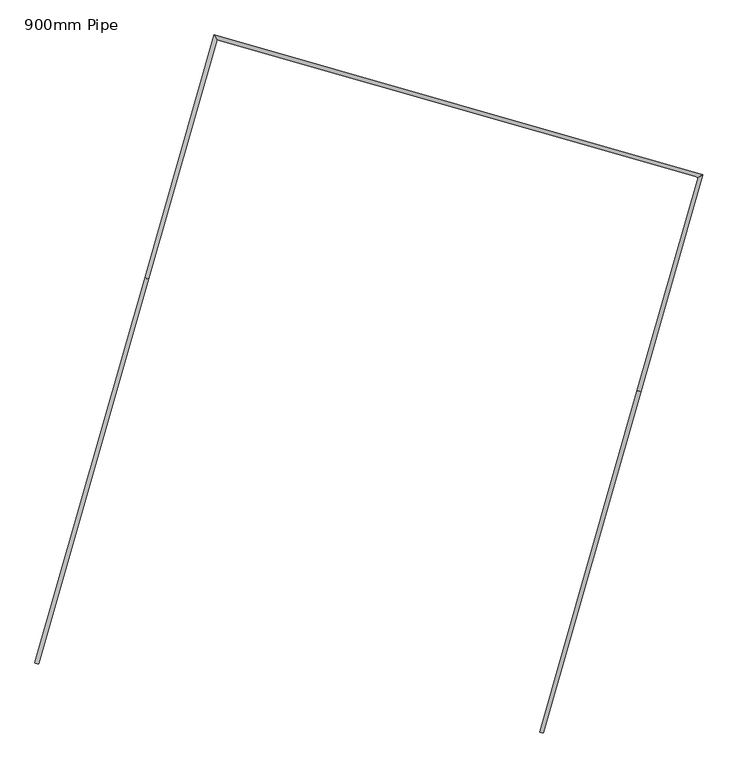
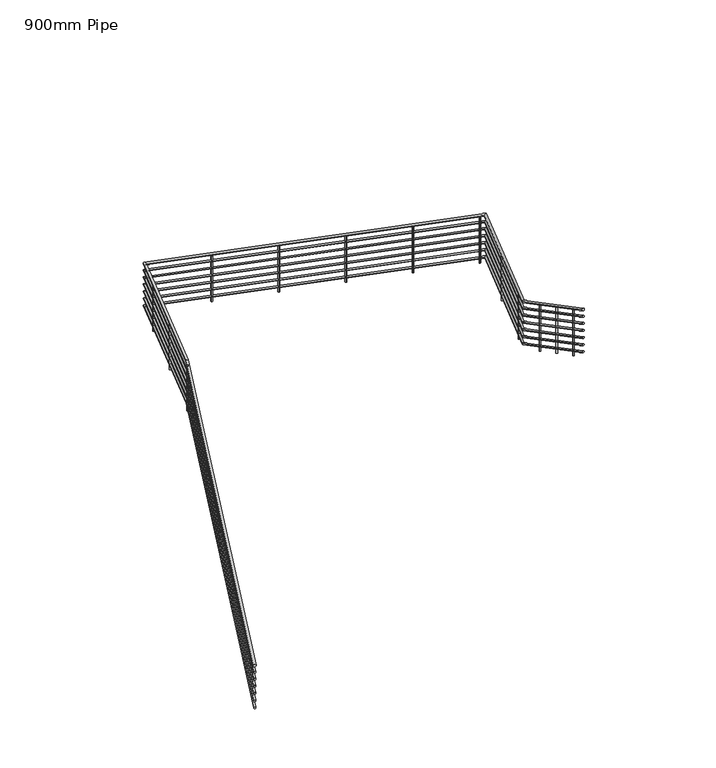
"""IFC4 building model written with IfcOpenShell, lengths in millimetres: railing geometry, 900mm Pipe."""

from ifc_helpers import new_model, si_unit, point, frame, frame_2d, origin, place, context, project, spatial, circle_curve, ellipse_curve, trimmed, segment, composite_curve, outline, extrude, source, transform, mapped, element, save
from ifc_brep_helpers import plane_surface, cylinder_surface, advanced_brep


def railing_900mm_pipe_57eae694(model_context):
    return source(origin(), model_context, "Body", "SolidModel", [
        advanced_brep(
        [(14645.4112937, 2328.8444623, -4052.5096404), (14606.951219, 2339.836398, -4052.5096404), (15754.4532584, 6209.3108448, -1406.2068966), (15715.9931837, 6220.3027805, -1406.2068966), (16441.1820485, 8612.1306375, -1406.2068966), (16413.7139094, 8661.582648, -1406.2068966), (21288.4220782, 7226.7836003, -1406.2068966), (21337.8740886, 7254.2517394, -1406.2068966), (20673.6954788, 5075.894834, -1406.2068966), (20712.1555536, 5064.9028983, -1406.2068966), (19692.8983015, 1644.1487, 876.2600906), (19731.3583763, 1633.1567643, 876.2600906)],
        [
            (0, 1, ellipse_curve(frame((14626.1812563, 2334.3404301, -4052.5096404), z_axis=(-0.27479839189019206, -0.9615018688565117, 0.0), x_axis=(0.0, 0.0, -1.0)), 23.9160497, 20.0)),
            (1, 0, ellipse_curve(frame((14626.1812563, 2334.3404301, -4052.5096404), z_axis=(-0.27479839189019206, -0.9615018688565117, 0.0), x_axis=(0.0, 0.0, -1.0)), 23.9160497, 20.0)),
            (0, 2),
            (2, 3, ellipse_curve(frame((15735.223221, 6214.8068126, -1406.2068966), z_axis=(-0.2633092399669702, -0.9213020664858751, -0.2861306457492325), x_axis=(0.07862824132239211, 0.27511515062500735, -0.9581906144202871)), 20.8726737, 20.0)),
            (3, 1),
            (3, 2, ellipse_curve(frame((15735.223221, 6214.8068126, -1406.2068966), z_axis=(-0.2633092399669702, -0.9213020664858751, -0.2861306457492325), x_axis=(0.07862824132239211, 0.27511515062500735, -0.9581906144202871)), 20.8726737, 20.0)),
            (2, 4),
            (4, 5, ellipse_curve(frame((16427.4479789, 8636.8566427, -1406.2068966), z_axis=(-0.8741962979566913, -0.4855726852272642, 0.0), x_axis=(0.4855726852272642, -0.8741962979566913, 0.0)), 28.2842712, 20.0)),
            (5, 3),
            (5, 4, ellipse_curve(frame((16427.4479789, 8636.8566427, -1406.2068966), z_axis=(-0.8741962979566913, -0.4855726852272642, 0.0), x_axis=(0.4855726852272642, -0.8741962979566913, 0.0)), 28.2842712, 20.0)),
            (4, 6),
            (6, 7, ellipse_curve(frame((21313.1480834, 7240.5176699, -1406.2068966), z_axis=(-0.48557268522726454, 0.8741962979566911, 1.0586108497503792e-12), x_axis=(-0.8741962979566911, -0.48557268522726443, 0.0)), 28.2842712, 20.0)),
            (7, 5),
            (7, 6, ellipse_curve(frame((21313.1480834, 7240.5176699, -1406.2068966), z_axis=(-0.48557268522726454, 0.8741962979566911, 1.0586108497503792e-12), x_axis=(-0.8741962979566911, -0.48557268522726443, 0.0)), 28.2842712, 20.0)),
            (6, 8),
            (8, 9, ellipse_curve(frame((20692.9255162, 5070.3988661, -1406.2068966), z_axis=(0.2637537238904638, 0.9228572870975278, -0.2806570875372723), x_axis=(0.07712411632782773, 0.2698523141749132, 0.9598081054122723)), 20.8374985, 20.0)),
            (9, 7),
            (9, 8, ellipse_curve(frame((20692.9255162, 5070.3988661, -1406.2068966), z_axis=(0.2637537238904638, 0.9228572870975278, -0.2806570875372723), x_axis=(0.07712411632782773, 0.2698523141749132, 0.9598081054122723)), 20.8374985, 20.0)),
            (10, 11, ellipse_curve(frame((19712.1283389, 1638.6527322, 876.2600906), z_axis=(-0.2747983918901913, -0.9615018688565119, 0.0), x_axis=(0.0, 0.0, -1.0)), 23.7399094, 20.0)),
            (11, 10, ellipse_curve(frame((19712.1283389, 1638.6527322, 876.2600906), z_axis=(-0.2747983918901913, -0.9615018688565119, 0.0), x_axis=(0.0, 0.0, -1.0)), 23.7399094, 20.0)),
            (8, 10),
            (11, 9),
        ],
        [
            plane_surface(frame((14626.1812563, 2334.3404301, -4028.5935908), z_axis=(-0.27479839189019206, -0.9615018688565117, 0.0), x_axis=(0.9615018688565117, -0.27479839189019206, 0.0))),
            cylinder_surface(frame((14629.19489, 2344.8849403, -4045.3187609), z_axis=(-0.22980249296278749, -0.8040641174490503, -0.5483353985098612), x_axis=(-0.9615018688565117, 0.27479839189019206, 0.0)), 20.0),
            cylinder_surface(frame((15733.5820394, 6209.0644239, -1406.2068966), z_axis=(-0.2747983918901925, -0.9615018688565116, 0.0), x_axis=(-0.9615018688565116, 0.2747983918901925, 0.0)), 20.0),
            cylinder_surface(frame((16427.4479789, 8636.8566427, -1406.2068966), z_axis=(-0.9615018688565115, 0.27479839189019273, 0.0), x_axis=(0.27479839189019273, 0.9615018688565115, 0.0)), 20.0),
            cylinder_surface(frame((21313.1480834, 7240.5176699, -1406.2068966), z_axis=(0.2747983918901916, 0.9615018688565118, 1.25028144646653e-12), x_axis=(0.9615018688565118, -0.2747983918901916, -1.7439941282936893e-12)), 20.0),
            plane_surface(frame((19712.1283389, 1638.6527322, 900.0), z_axis=(-0.2747983918901913, -0.9615018688565119, 0.0), x_axis=(0.9615018688565119, -0.2747983918901913, 0.0))),
            cylinder_surface(frame((20691.5716158, 5065.6616558, -1403.0561605), z_axis=(0.2315075321550987, 0.8100299397328162, -0.5387538949204046), x_axis=(0.9615018688562537, -0.27479839189109473, -1.4693896492415045e-12)), 20.0),
        ],
        [
            (0, [[1, 2]]),
            (1, [[-1, 3, 4, 5]]),
            (1, [[-2, -5, 6, -3]]),
            (2, [[-4, 7, 8, 9]]),
            (2, [[-6, -9, 10, -7]]),
            (3, [[-8, 11, 12, 13]]),
            (3, [[-10, -13, 14, -11]]),
            (4, [[-12, 15, 16, 17]]),
            (4, [[-14, -17, 18, -15]]),
            (5, [[19, 20]]),
            (6, [[-16, 21, -20, 22]]),
            (6, [[-18, -22, -19, -21]]),
        ],
    ),
        advanced_brep(
        [(14640.6037844, 2330.2184543, -4171.530628), (14611.7587283, 2338.462406, -4171.530628), (15749.2354537, 6209.2492396, -1526.2068966), (15720.3903976, 6217.4931913, -1526.2068966), (16437.7485311, 8618.3121388, -1526.2068966), (16417.1474268, 8655.4011467, -1526.2068966), (21294.6035795, 7230.2171177, -1526.2068966), (21331.6925873, 7250.818222, -1526.2068966), (20678.9047566, 5075.9266038, -1526.2068966), (20707.7498127, 5067.6826521, -1526.2068966), (19697.7058108, 1642.7747081, 757.1950679), (19726.5508669, 1634.5307563, 757.1950679)],
        [
            (0, 1, ellipse_curve(frame((14626.1812563, 2334.3404301, -4171.530628), z_axis=(-0.27479839189019206, -0.9615018688565117, 0.0), x_axis=(0.0, 0.0, -1.0)), 17.9370373, 15.0)),
            (1, 0, ellipse_curve(frame((14626.1812563, 2334.3404301, -4171.530628), z_axis=(-0.27479839189019206, -0.9615018688565117, 0.0), x_axis=(0.0, 0.0, -1.0)), 17.9370373, 15.0)),
            (0, 2),
            (2, 3, ellipse_curve(frame((15734.8129256, 6213.3712154, -1526.2068966), z_axis=(-0.2633092399669702, -0.9213020664858751, -0.2861306457492325), x_axis=(0.07862824132239211, 0.27511515062500735, -0.9581906144202871)), 15.6545052, 15.0)),
            (3, 1),
            (3, 2, ellipse_curve(frame((15734.8129256, 6213.3712154, -1526.2068966), z_axis=(-0.2633092399669702, -0.9213020664858751, -0.2861306457492325), x_axis=(0.07862824132239211, 0.27511515062500735, -0.9581906144202871)), 15.6545052, 15.0)),
            (2, 4),
            (4, 5, ellipse_curve(frame((16427.4479789, 8636.8566427, -1526.2068966), z_axis=(-0.8741962979566913, -0.4855726852272642, 0.0), x_axis=(0.4855726852272642, -0.8741962979566913, 0.0)), 21.2132034, 15.0)),
            (5, 3),
            (5, 4, ellipse_curve(frame((16427.4479789, 8636.8566427, -1526.2068966), z_axis=(-0.8741962979566913, -0.4855726852272642, 0.0), x_axis=(0.4855726852272642, -0.8741962979566913, 0.0)), 21.2132034, 15.0)),
            (4, 6),
            (6, 7, ellipse_curve(frame((21313.1480834, 7240.5176699, -1526.2068966), z_axis=(-0.48557268522726454, 0.8741962979566911, 1.0586108497503792e-12), x_axis=(-0.8741962979566911, -0.48557268522726443, 0.0)), 21.2132034, 15.0)),
            (7, 5),
            (7, 6, ellipse_curve(frame((21313.1480834, 7240.5176699, -1526.2068966), z_axis=(-0.48557268522726454, 0.8741962979566911, 1.0586108497503792e-12), x_axis=(-0.8741962979566911, -0.48557268522726443, 0.0)), 21.2132034, 15.0)),
            (6, 8),
            (8, 9, ellipse_curve(frame((20693.3272846, 5071.8046279, -1526.2068966), z_axis=(0.26375372389046375, 0.9228572870975279, -0.28065708753727225), x_axis=(0.07712411632782794, 0.2698523141749124, 0.9598081054122725)), 15.6281239, 15.0)),
            (9, 7),
            (9, 8, ellipse_curve(frame((20693.3272846, 5071.8046279, -1526.2068966), z_axis=(0.26375372389046375, 0.9228572870975279, -0.28065708753727225), x_axis=(0.07712411632782794, 0.2698523141749124, 0.9598081054122725)), 15.6281239, 15.0)),
            (10, 11, ellipse_curve(frame((19712.1283389, 1638.6527322, 757.1950679), z_axis=(-0.2747983918901913, -0.9615018688565119, 0.0), x_axis=(0.0, 0.0, -1.0)), 17.804932, 15.0)),
            (11, 10, ellipse_curve(frame((19712.1283389, 1638.6527322, 757.1950679), z_axis=(-0.2747983918901913, -0.9615018688565119, 0.0), x_axis=(0.0, 0.0, -1.0)), 17.804932, 15.0)),
            (8, 10),
            (11, 9),
        ],
        [
            plane_surface(frame((14626.1812563, 2334.3404301, -4153.5935908), z_axis=(-0.27479839189019206, -0.9615018688565117, 0.0), x_axis=(0.9615018688565117, -0.27479839189019206, 0.0))),
            cylinder_surface(frame((14628.4414816, 2342.2488128, -4166.1374684), z_axis=(-0.22980249296278749, -0.8040641174490503, -0.5483353985098612), x_axis=(-0.9615018688565117, 0.27479839189019206, 0.0)), 15.0),
            cylinder_surface(frame((15733.5820394, 6209.0644239, -1526.2068966), z_axis=(-0.2747983918901925, -0.9615018688565116, 0.0), x_axis=(-0.9615018688565116, 0.2747983918901925, 0.0)), 15.0),
            cylinder_surface(frame((16427.4479789, 8636.8566427, -1526.2068966), z_axis=(-0.9615018688565115, 0.27479839189019273, 0.0), x_axis=(0.27479839189019273, 0.9615018688565115, 0.0)), 15.0),
            cylinder_surface(frame((21313.1480834, 7240.5176699, -1526.2068966), z_axis=(0.2747983918901916, 0.9615018688565118, 1.25028144646653e-12), x_axis=(0.9615018688565118, -0.2747983918901916, -1.7439941282936893e-12)), 15.0),
            plane_surface(frame((19712.1283389, 1638.6527322, 775.0), z_axis=(-0.2747983918901913, -0.9615018688565119, 0.0), x_axis=(0.9615018688565119, -0.2747983918901913, 0.0))),
            cylinder_surface(frame((20692.3118593, 5068.2517202, -1523.8438445), z_axis=(0.23150753215509853, 0.8100299397328163, -0.5387538949204045), x_axis=(0.9615018688562537, -0.27479839189109456, -1.4694451603927354e-12)), 15.0),
        ],
        [
            (0, [[1, 2]]),
            (1, [[-1, 3, 4, 5]]),
            (1, [[-2, -5, 6, -3]]),
            (2, [[-4, 7, 8, 9]]),
            (2, [[-6, -9, 10, -7]]),
            (3, [[-8, 11, 12, 13]]),
            (3, [[-10, -13, 14, -11]]),
            (4, [[-12, 15, 16, 17]]),
            (4, [[-14, -17, 18, -15]]),
            (5, [[19, 20]]),
            (6, [[-16, 21, -20, 22]]),
            (6, [[-18, -22, -19, -21]]),
        ],
    ),
        advanced_brep(
        [(14640.6037844, 2330.2184543, -4296.530628), (14611.7587283, 2338.462406, -4296.530628), (15749.2354537, 6209.2492396, -1651.2068966), (15720.3903976, 6217.4931913, -1651.2068966), (16437.7485311, 8618.3121388, -1651.2068966), (16417.1474268, 8655.4011467, -1651.2068966), (21294.6035795, 7230.2171177, -1651.2068966), (21331.6925873, 7250.818222, -1651.2068966), (20678.9047566, 5075.9266038, -1651.2068966), (20707.7498127, 5067.6826521, -1651.2068966), (19697.7058108, 1642.7747081, 632.1950679), (19726.5508669, 1634.5307563, 632.1950679)],
        [
            (0, 1, ellipse_curve(frame((14626.1812563, 2334.3404301, -4296.530628), z_axis=(-0.27479839189019206, -0.9615018688565117, 0.0), x_axis=(0.0, 0.0, -1.0)), 17.9370373, 15.0)),
            (1, 0, ellipse_curve(frame((14626.1812563, 2334.3404301, -4296.530628), z_axis=(-0.27479839189019206, -0.9615018688565117, 0.0), x_axis=(0.0, 0.0, -1.0)), 17.9370373, 15.0)),
            (0, 2),
            (2, 3, ellipse_curve(frame((15734.8129256, 6213.3712154, -1651.2068966), z_axis=(-0.2633092399669702, -0.9213020664858751, -0.2861306457492325), x_axis=(0.07862824132239211, 0.27511515062500735, -0.9581906144202871)), 15.6545052, 15.0)),
            (3, 1),
            (3, 2, ellipse_curve(frame((15734.8129256, 6213.3712154, -1651.2068966), z_axis=(-0.2633092399669702, -0.9213020664858751, -0.2861306457492325), x_axis=(0.07862824132239211, 0.27511515062500735, -0.9581906144202871)), 15.6545052, 15.0)),
            (2, 4),
            (4, 5, ellipse_curve(frame((16427.4479789, 8636.8566427, -1651.2068966), z_axis=(-0.8741962979566913, -0.4855726852272642, 0.0), x_axis=(0.4855726852272642, -0.8741962979566913, 0.0)), 21.2132034, 15.0)),
            (5, 3),
            (5, 4, ellipse_curve(frame((16427.4479789, 8636.8566427, -1651.2068966), z_axis=(-0.8741962979566913, -0.4855726852272642, 0.0), x_axis=(0.4855726852272642, -0.8741962979566913, 0.0)), 21.2132034, 15.0)),
            (4, 6),
            (6, 7, ellipse_curve(frame((21313.1480834, 7240.5176699, -1651.2068966), z_axis=(-0.48557268522726454, 0.8741962979566911, 1.0586108497503792e-12), x_axis=(-0.8741962979566911, -0.48557268522726443, 0.0)), 21.2132034, 15.0)),
            (7, 5),
            (7, 6, ellipse_curve(frame((21313.1480834, 7240.5176699, -1651.2068966), z_axis=(-0.48557268522726454, 0.8741962979566911, 1.0586108497503792e-12), x_axis=(-0.8741962979566911, -0.48557268522726443, 0.0)), 21.2132034, 15.0)),
            (6, 8),
            (8, 9, ellipse_curve(frame((20693.3272846, 5071.8046279, -1651.2068966), z_axis=(0.26375372389046375, 0.9228572870975279, -0.28065708753727225), x_axis=(0.07712411632782794, 0.2698523141749124, 0.9598081054122725)), 15.6281239, 15.0)),
            (9, 7),
            (9, 8, ellipse_curve(frame((20693.3272846, 5071.8046279, -1651.2068966), z_axis=(0.26375372389046375, 0.9228572870975279, -0.28065708753727225), x_axis=(0.07712411632782794, 0.2698523141749124, 0.9598081054122725)), 15.6281239, 15.0)),
            (10, 11, ellipse_curve(frame((19712.1283389, 1638.6527322, 632.1950679), z_axis=(-0.2747983918901913, -0.9615018688565119, 0.0), x_axis=(0.0, 0.0, -1.0)), 17.804932, 15.0)),
            (11, 10, ellipse_curve(frame((19712.1283389, 1638.6527322, 632.1950679), z_axis=(-0.2747983918901913, -0.9615018688565119, 0.0), x_axis=(0.0, 0.0, -1.0)), 17.804932, 15.0)),
            (8, 10),
            (11, 9),
        ],
        [
            plane_surface(frame((14626.1812563, 2334.3404301, -4278.5935908), z_axis=(-0.27479839189019206, -0.9615018688565117, 0.0), x_axis=(0.9615018688565117, -0.27479839189019206, 0.0))),
            cylinder_surface(frame((14628.4414816, 2342.2488128, -4291.1374684), z_axis=(-0.22980249296278749, -0.8040641174490503, -0.5483353985098612), x_axis=(-0.9615018688565117, 0.27479839189019206, 0.0)), 15.0),
            cylinder_surface(frame((15733.5820394, 6209.0644239, -1651.2068966), z_axis=(-0.2747983918901925, -0.9615018688565116, 0.0), x_axis=(-0.9615018688565116, 0.2747983918901925, 0.0)), 15.0),
            cylinder_surface(frame((16427.4479789, 8636.8566427, -1651.2068966), z_axis=(-0.9615018688565115, 0.27479839189019273, 0.0), x_axis=(0.27479839189019273, 0.9615018688565115, 0.0)), 15.0),
            cylinder_surface(frame((21313.1480834, 7240.5176699, -1651.2068966), z_axis=(0.2747983918901916, 0.9615018688565118, 1.25028144646653e-12), x_axis=(0.9615018688565118, -0.2747983918901916, -1.7439941282936893e-12)), 15.0),
            plane_surface(frame((19712.1283389, 1638.6527322, 650.0), z_axis=(-0.2747983918901913, -0.9615018688565119, 0.0), x_axis=(0.9615018688565119, -0.2747983918901913, 0.0))),
            cylinder_surface(frame((20692.3118593, 5068.2517202, -1648.8438445), z_axis=(0.23150753215509853, 0.8100299397328163, -0.5387538949204045), x_axis=(0.9615018688562537, -0.27479839189109456, -1.4694451603927354e-12)), 15.0),
        ],
        [
            (0, [[1, 2]]),
            (1, [[-1, 3, 4, 5]]),
            (1, [[-2, -5, 6, -3]]),
            (2, [[-4, 7, 8, 9]]),
            (2, [[-6, -9, 10, -7]]),
            (3, [[-8, 11, 12, 13]]),
            (3, [[-10, -13, 14, -11]]),
            (4, [[-12, 15, 16, 17]]),
            (4, [[-14, -17, 18, -15]]),
            (5, [[19, 20]]),
            (6, [[-16, 21, -20, 22]]),
            (6, [[-18, -22, -19, -21]]),
        ],
    ),
        advanced_brep(
        [(14640.6037844, 2330.2184543, -4421.530628), (14611.7587283, 2338.462406, -4421.530628), (15749.2354537, 6209.2492396, -1776.2068966), (15720.3903976, 6217.4931913, -1776.2068966), (16437.7485311, 8618.3121388, -1776.2068966), (16417.1474268, 8655.4011467, -1776.2068966), (21294.6035795, 7230.2171177, -1776.2068966), (21331.6925873, 7250.818222, -1776.2068966), (20678.9047566, 5075.9266038, -1776.2068966), (20707.7498127, 5067.6826521, -1776.2068966), (19697.7058108, 1642.7747081, 507.1950679), (19726.5508669, 1634.5307563, 507.1950679)],
        [
            (0, 1, ellipse_curve(frame((14626.1812563, 2334.3404301, -4421.530628), z_axis=(-0.2747983918901921, -0.9615018688565117, 0.0), x_axis=(0.0, 0.0, -1.0)), 17.9370373, 15.0)),
            (1, 0, ellipse_curve(frame((14626.1812563, 2334.3404301, -4421.530628), z_axis=(-0.2747983918901921, -0.9615018688565117, 0.0), x_axis=(0.0, 0.0, -1.0)), 17.9370373, 15.0)),
            (0, 2),
            (2, 3, ellipse_curve(frame((15734.8129256, 6213.3712154, -1776.2068966), z_axis=(-0.2633092399669702, -0.9213020664858751, -0.28613064574923247), x_axis=(0.07862824132239188, 0.27511515062500724, -0.9581906144202871)), 15.6545052, 15.0)),
            (3, 1),
            (3, 2, ellipse_curve(frame((15734.8129256, 6213.3712154, -1776.2068966), z_axis=(-0.2633092399669702, -0.9213020664858751, -0.28613064574923247), x_axis=(0.07862824132239188, 0.27511515062500724, -0.9581906144202871)), 15.6545052, 15.0)),
            (2, 4),
            (4, 5, ellipse_curve(frame((16427.4479789, 8636.8566427, -1776.2068966), z_axis=(-0.8741962979566912, -0.4855726852272642, 0.0), x_axis=(0.48557268522726416, -0.8741962979566913, 0.0)), 21.2132034, 15.0)),
            (5, 3),
            (5, 4, ellipse_curve(frame((16427.4479789, 8636.8566427, -1776.2068966), z_axis=(-0.8741962979566912, -0.4855726852272642, 0.0), x_axis=(0.48557268522726416, -0.8741962979566913, 0.0)), 21.2132034, 15.0)),
            (4, 6),
            (6, 7, ellipse_curve(frame((21313.1480834, 7240.5176699, -1776.2068966), z_axis=(-0.4855726852272646, 0.8741962979566911, 1.0588157238312365e-12), x_axis=(-0.8741962979566911, -0.4855726852272646, 0.0)), 21.2132034, 15.0)),
            (7, 5),
            (7, 6, ellipse_curve(frame((21313.1480834, 7240.5176699, -1776.2068966), z_axis=(-0.4855726852272646, 0.8741962979566911, 1.0588157238312365e-12), x_axis=(-0.8741962979566911, -0.4855726852272646, 0.0)), 21.2132034, 15.0)),
            (6, 8),
            (8, 9, ellipse_curve(frame((20693.3272846, 5071.8046279, -1776.2068966), z_axis=(0.2637537238904637, 0.9228572870975279, -0.2806570875372721), x_axis=(0.07712411632782794, 0.2698523141749124, 0.9598081054122725)), 15.6281239, 15.0)),
            (9, 7),
            (9, 8, ellipse_curve(frame((20693.3272846, 5071.8046279, -1776.2068966), z_axis=(0.2637537238904637, 0.9228572870975279, -0.2806570875372721), x_axis=(0.07712411632782794, 0.2698523141749124, 0.9598081054122725)), 15.6281239, 15.0)),
            (10, 11, ellipse_curve(frame((19712.1283389, 1638.6527322, 507.1950679), z_axis=(-0.2747983918901913, -0.9615018688565119, 0.0), x_axis=(0.0, 0.0, -1.0)), 17.804932, 15.0)),
            (11, 10, ellipse_curve(frame((19712.1283389, 1638.6527322, 507.1950679), z_axis=(-0.2747983918901913, -0.9615018688565119, 0.0), x_axis=(0.0, 0.0, -1.0)), 17.804932, 15.0)),
            (8, 10),
            (11, 9),
        ],
        [
            plane_surface(frame((14626.1812563, 2334.3404301, -4403.5935908), z_axis=(-0.2747983918901921, -0.9615018688565117, 0.0), x_axis=(0.9615018688565117, -0.2747983918901921, 0.0))),
            cylinder_surface(frame((14628.4414816, 2342.2488128, -4416.1374684), z_axis=(-0.22980249296278749, -0.8040641174490502, -0.5483353985098612), x_axis=(-0.9615018688565117, 0.2747983918901921, 0.0)), 15.0),
            cylinder_surface(frame((15733.5820394, 6209.0644239, -1776.2068966), z_axis=(-0.27479839189019245, -0.9615018688565116, 0.0), x_axis=(-0.9615018688565116, 0.27479839189019245, 0.0)), 15.0),
            cylinder_surface(frame((16427.4479789, 8636.8566427, -1776.2068966), z_axis=(-0.9615018688565115, 0.2747983918901927, 0.0), x_axis=(0.2747983918901927, 0.9615018688565115, 0.0)), 15.0),
            cylinder_surface(frame((21313.1480834, 7240.5176699, -1776.2068966), z_axis=(0.27479839189019156, 0.9615018688565118, 1.2504263143183934e-12), x_axis=(0.9615018688565118, -0.27479839189019156, -1.744021883869305e-12)), 15.0),
            plane_surface(frame((19712.1283389, 1638.6527322, 525.0), z_axis=(-0.2747983918901913, -0.9615018688565119, 0.0), x_axis=(0.9615018688565119, -0.2747983918901913, 0.0))),
            cylinder_surface(frame((20692.3118593, 5068.2517202, -1773.8438445), z_axis=(0.23150753215509856, 0.8100299397328163, -0.5387538949204044), x_axis=(0.9615018688562537, -0.2747983918910946, -1.4694962990193584e-12)), 15.0),
        ],
        [
            (0, [[1, 2]]),
            (1, [[-1, 3, 4, 5]]),
            (1, [[-2, -5, 6, -3]]),
            (2, [[-4, 7, 8, 9]]),
            (2, [[-6, -9, 10, -7]]),
            (3, [[-8, 11, 12, 13]]),
            (3, [[-10, -13, 14, -11]]),
            (4, [[-12, 15, 16, 17]]),
            (4, [[-14, -17, 18, -15]]),
            (5, [[19, 20]]),
            (6, [[-16, 21, -20, 22]]),
            (6, [[-18, -22, -19, -21]]),
        ],
    ),
        advanced_brep(
        [(14640.6037844, 2330.2184543, -4546.530628), (14611.7587283, 2338.462406, -4546.530628), (15749.2354537, 6209.2492396, -1901.2068966), (15720.3903976, 6217.4931913, -1901.2068966), (16437.7485311, 8618.3121388, -1901.2068966), (16417.1474268, 8655.4011467, -1901.2068966), (21294.6035795, 7230.2171177, -1901.2068966), (21331.6925873, 7250.818222, -1901.2068966), (20678.9047566, 5075.9266038, -1901.2068966), (20707.7498127, 5067.6826521, -1901.2068966), (19697.7058108, 1642.7747081, 382.1950679), (19726.5508669, 1634.5307563, 382.1950679)],
        [
            (0, 1, ellipse_curve(frame((14626.1812563, 2334.3404301, -4546.530628), z_axis=(-0.27479839189019206, -0.9615018688565117, 0.0), x_axis=(0.0, 0.0, -1.0)), 17.9370373, 15.0)),
            (1, 0, ellipse_curve(frame((14626.1812563, 2334.3404301, -4546.530628), z_axis=(-0.27479839189019206, -0.9615018688565117, 0.0), x_axis=(0.0, 0.0, -1.0)), 17.9370373, 15.0)),
            (0, 2),
            (2, 3, ellipse_curve(frame((15734.8129256, 6213.3712154, -1901.2068966), z_axis=(-0.2633092399669702, -0.9213020664858751, -0.2861306457492325), x_axis=(0.07862824132239211, 0.27511515062500735, -0.9581906144202871)), 15.6545052, 15.0)),
            (3, 1),
            (3, 2, ellipse_curve(frame((15734.8129256, 6213.3712154, -1901.2068966), z_axis=(-0.2633092399669702, -0.9213020664858751, -0.2861306457492325), x_axis=(0.07862824132239211, 0.27511515062500735, -0.9581906144202871)), 15.6545052, 15.0)),
            (2, 4),
            (4, 5, ellipse_curve(frame((16427.4479789, 8636.8566427, -1901.2068966), z_axis=(-0.8741962979566913, -0.4855726852272642, 0.0), x_axis=(0.4855726852272642, -0.8741962979566913, 0.0)), 21.2132034, 15.0)),
            (5, 3),
            (5, 4, ellipse_curve(frame((16427.4479789, 8636.8566427, -1901.2068966), z_axis=(-0.8741962979566913, -0.4855726852272642, 0.0), x_axis=(0.4855726852272642, -0.8741962979566913, 0.0)), 21.2132034, 15.0)),
            (4, 6),
            (6, 7, ellipse_curve(frame((21313.1480834, 7240.5176699, -1901.2068966), z_axis=(-0.48557268522726454, 0.8741962979566911, 1.0586108497503792e-12), x_axis=(-0.8741962979566911, -0.48557268522726443, 0.0)), 21.2132034, 15.0)),
            (7, 5),
            (7, 6, ellipse_curve(frame((21313.1480834, 7240.5176699, -1901.2068966), z_axis=(-0.48557268522726454, 0.8741962979566911, 1.0586108497503792e-12), x_axis=(-0.8741962979566911, -0.48557268522726443, 0.0)), 21.2132034, 15.0)),
            (6, 8),
            (8, 9, ellipse_curve(frame((20693.3272846, 5071.8046279, -1901.2068966), z_axis=(0.26375372389046375, 0.9228572870975279, -0.28065708753727225), x_axis=(0.07712411632782794, 0.2698523141749124, 0.9598081054122725)), 15.6281239, 15.0)),
            (9, 7),
            (9, 8, ellipse_curve(frame((20693.3272846, 5071.8046279, -1901.2068966), z_axis=(0.26375372389046375, 0.9228572870975279, -0.28065708753727225), x_axis=(0.07712411632782794, 0.2698523141749124, 0.9598081054122725)), 15.6281239, 15.0)),
            (10, 11, ellipse_curve(frame((19712.1283389, 1638.6527322, 382.1950679), z_axis=(-0.2747983918901913, -0.9615018688565119, 0.0), x_axis=(0.0, 0.0, -1.0)), 17.804932, 15.0)),
            (11, 10, ellipse_curve(frame((19712.1283389, 1638.6527322, 382.1950679), z_axis=(-0.2747983918901913, -0.9615018688565119, 0.0), x_axis=(0.0, 0.0, -1.0)), 17.804932, 15.0)),
            (8, 10),
            (11, 9),
        ],
        [
            plane_surface(frame((14626.1812563, 2334.3404301, -4528.5935908), z_axis=(-0.27479839189019206, -0.9615018688565117, 0.0), x_axis=(0.9615018688565117, -0.27479839189019206, 0.0))),
            cylinder_surface(frame((14628.4414816, 2342.2488128, -4541.1374684), z_axis=(-0.22980249296278749, -0.8040641174490503, -0.5483353985098612), x_axis=(-0.9615018688565117, 0.27479839189019206, 0.0)), 15.0),
            cylinder_surface(frame((15733.5820394, 6209.0644239, -1901.2068966), z_axis=(-0.2747983918901925, -0.9615018688565116, 0.0), x_axis=(-0.9615018688565116, 0.2747983918901925, 0.0)), 15.0),
            cylinder_surface(frame((16427.4479789, 8636.8566427, -1901.2068966), z_axis=(-0.9615018688565115, 0.27479839189019273, 0.0), x_axis=(0.27479839189019273, 0.9615018688565115, 0.0)), 15.0),
            cylinder_surface(frame((21313.1480834, 7240.5176699, -1901.2068966), z_axis=(0.2747983918901916, 0.9615018688565118, 1.25028144646653e-12), x_axis=(0.9615018688565118, -0.2747983918901916, -1.7439941282936893e-12)), 15.0),
            plane_surface(frame((19712.1283389, 1638.6527322, 400.0), z_axis=(-0.2747983918901913, -0.9615018688565119, 0.0), x_axis=(0.9615018688565119, -0.2747983918901913, 0.0))),
            cylinder_surface(frame((20692.3118593, 5068.2517202, -1898.8438445), z_axis=(0.23150753215509853, 0.8100299397328163, -0.5387538949204045), x_axis=(0.9615018688562537, -0.27479839189109456, -1.4694451603927354e-12)), 15.0),
        ],
        [
            (0, [[1, 2]]),
            (1, [[-1, 3, 4, 5]]),
            (1, [[-2, -5, 6, -3]]),
            (2, [[-4, 7, 8, 9]]),
            (2, [[-6, -9, 10, -7]]),
            (3, [[-8, 11, 12, 13]]),
            (3, [[-10, -13, 14, -11]]),
            (4, [[-12, 15, 16, 17]]),
            (4, [[-14, -17, 18, -15]]),
            (5, [[19, 20]]),
            (6, [[-16, 21, -20, 22]]),
            (6, [[-18, -22, -19, -21]]),
        ],
    ),
        advanced_brep(
        [(14640.6037844, 2330.2184543, -4671.530628), (14611.7587283, 2338.462406, -4671.530628), (15749.2354537, 6209.2492396, -2026.2068966), (15720.3903976, 6217.4931913, -2026.2068966), (16437.7485311, 8618.3121388, -2026.2068966), (16417.1474268, 8655.4011467, -2026.2068966), (21294.6035795, 7230.2171177, -2026.2068966), (21331.6925873, 7250.818222, -2026.2068966), (20678.9047566, 5075.9266038, -2026.2068966), (20707.7498127, 5067.6826521, -2026.2068966), (19697.7058108, 1642.7747081, 257.1950679), (19726.5508669, 1634.5307563, 257.1950679)],
        [
            (0, 1, ellipse_curve(frame((14626.1812563, 2334.3404301, -4671.530628), z_axis=(-0.27479839189019206, -0.9615018688565117, 0.0), x_axis=(0.0, 0.0, -1.0)), 17.9370373, 15.0)),
            (1, 0, ellipse_curve(frame((14626.1812563, 2334.3404301, -4671.530628), z_axis=(-0.27479839189019206, -0.9615018688565117, 0.0), x_axis=(0.0, 0.0, -1.0)), 17.9370373, 15.0)),
            (0, 2),
            (2, 3, ellipse_curve(frame((15734.8129256, 6213.3712154, -2026.2068966), z_axis=(-0.2633092399669702, -0.9213020664858749, -0.28613064574923247), x_axis=(0.07862824132239205, 0.2751151506250063, -0.9581906144202874)), 15.6545052, 15.0)),
            (3, 1),
            (3, 2, ellipse_curve(frame((15734.8129256, 6213.3712154, -2026.2068966), z_axis=(-0.2633092399669702, -0.9213020664858749, -0.28613064574923247), x_axis=(0.07862824132239205, 0.2751151506250063, -0.9581906144202874)), 15.6545052, 15.0)),
            (2, 4),
            (4, 5, ellipse_curve(frame((16427.4479789, 8636.8566427, -2026.2068966), z_axis=(-0.8741962979566913, -0.48557268522726416, 0.0), x_axis=(0.4855726852272641, -0.8741962979566913, 0.0)), 21.2132034, 15.0)),
            (5, 3),
            (5, 4, ellipse_curve(frame((16427.4479789, 8636.8566427, -2026.2068966), z_axis=(-0.8741962979566913, -0.48557268522726416, 0.0), x_axis=(0.4855726852272641, -0.8741962979566913, 0.0)), 21.2132034, 15.0)),
            (4, 6),
            (6, 7, ellipse_curve(frame((21313.1480834, 7240.5176699, -2026.2068966), z_axis=(-0.48557268522726454, 0.8741962979566911, 1.058459885067049e-12), x_axis=(-0.8741962979566913, -0.48557268522726443, 0.0)), 21.2132034, 15.0)),
            (7, 5),
            (7, 6, ellipse_curve(frame((21313.1480834, 7240.5176699, -2026.2068966), z_axis=(-0.48557268522726454, 0.8741962979566911, 1.058459885067049e-12), x_axis=(-0.8741962979566913, -0.48557268522726443, 0.0)), 21.2132034, 15.0)),
            (6, 8),
            (8, 9, ellipse_curve(frame((20693.3272846, 5071.8046279, -2026.2068966), z_axis=(0.2637537238904638, 0.9228572870975278, -0.2806570875372723), x_axis=(0.07712411632782794, 0.2698523141749128, 0.9598081054122722)), 15.6281239, 15.0)),
            (9, 7),
            (9, 8, ellipse_curve(frame((20693.3272846, 5071.8046279, -2026.2068966), z_axis=(0.2637537238904638, 0.9228572870975278, -0.2806570875372723), x_axis=(0.07712411632782794, 0.2698523141749128, 0.9598081054122722)), 15.6281239, 15.0)),
            (10, 11, ellipse_curve(frame((19712.1283389, 1638.6527322, 257.1950679), z_axis=(-0.2747983918901913, -0.9615018688565119, 0.0), x_axis=(0.0, 0.0, -1.0)), 17.804932, 15.0)),
            (11, 10, ellipse_curve(frame((19712.1283389, 1638.6527322, 257.1950679), z_axis=(-0.2747983918901913, -0.9615018688565119, 0.0), x_axis=(0.0, 0.0, -1.0)), 17.804932, 15.0)),
            (8, 10),
            (11, 9),
        ],
        [
            plane_surface(frame((14626.1812563, 2334.3404301, -4653.5935908), z_axis=(-0.27479839189019206, -0.9615018688565117, 0.0), x_axis=(0.9615018688565117, -0.27479839189019206, 0.0))),
            cylinder_surface(frame((14628.4414816, 2342.2488128, -4666.1374684), z_axis=(-0.22980249296278746, -0.8040641174490502, -0.548335398509861), x_axis=(-0.9615018688565117, 0.27479839189019206, 0.0)), 15.0),
            cylinder_surface(frame((15733.5820394, 6209.0644239, -2026.2068966), z_axis=(-0.27479839189019256, -0.9615018688565116, 0.0), x_axis=(-0.9615018688565116, 0.27479839189019256, 0.0)), 15.0),
            cylinder_surface(frame((16427.4479789, 8636.8566427, -2026.2068966), z_axis=(-0.9615018688565115, 0.2747983918901928, 0.0), x_axis=(0.2747983918901928, 0.9615018688565115, 0.0)), 15.0),
            cylinder_surface(frame((21313.1480834, 7240.5176699, -2026.2068966), z_axis=(0.2747983918901917, 0.9615018688565118, 1.2501746983152276e-12), x_axis=(0.9615018688565118, -0.2747983918901917, -1.7439941282936895e-12)), 15.0),
            plane_surface(frame((19712.1283389, 1638.6527322, 275.0), z_axis=(-0.2747983918901913, -0.9615018688565119, 0.0), x_axis=(0.9615018688565119, -0.2747983918901913, 0.0))),
            cylinder_surface(frame((20692.3118593, 5068.2517202, -2023.8438445), z_axis=(0.2315075321550986, 0.8100299397328161, -0.5387538949204045), x_axis=(0.9615018688562537, -0.2747983918910946, -1.46941740481712e-12)), 15.0),
        ],
        [
            (0, [[1, 2]]),
            (1, [[-1, 3, 4, 5]]),
            (1, [[-2, -5, 6, -3]]),
            (2, [[-4, 7, 8, 9]]),
            (2, [[-6, -9, 10, -7]]),
            (3, [[-8, 11, 12, 13]]),
            (3, [[-10, -13, 14, -11]]),
            (4, [[-12, 15, 16, 17]]),
            (4, [[-14, -17, 18, -15]]),
            (5, [[19, 20]]),
            (6, [[-16, 21, -20, 22]]),
            (6, [[-18, -22, -19, -21]]),
        ],
    ),
        advanced_brep(
        [(14640.6037844, 2330.2184543, -4796.530628), (14611.7587283, 2338.462406, -4796.530628), (15749.2354537, 6209.2492396, -2151.2068966), (15720.3903976, 6217.4931913, -2151.2068966), (16437.7485311, 8618.3121388, -2151.2068966), (16417.1474268, 8655.4011467, -2151.2068966), (21294.6035795, 7230.2171177, -2151.2068966), (21331.6925873, 7250.818222, -2151.2068966), (20678.9047566, 5075.9266038, -2151.2068966), (20707.7498127, 5067.6826521, -2151.2068966), (19697.7058108, 1642.7747081, 132.1950679), (19726.5508669, 1634.5307563, 132.1950679)],
        [
            (0, 1, ellipse_curve(frame((14626.1812563, 2334.3404301, -4796.530628), z_axis=(-0.27479839189019206, -0.9615018688565117, 0.0), x_axis=(0.0, 0.0, -1.0)), 17.9370373, 15.0)),
            (1, 0, ellipse_curve(frame((14626.1812563, 2334.3404301, -4796.530628), z_axis=(-0.27479839189019206, -0.9615018688565117, 0.0), x_axis=(0.0, 0.0, -1.0)), 17.9370373, 15.0)),
            (0, 2),
            (2, 3, ellipse_curve(frame((15734.8129256, 6213.3712154, -2151.2068966), z_axis=(-0.2633092399669702, -0.9213020664858751, -0.2861306457492325), x_axis=(0.07862824132239211, 0.27511515062500735, -0.9581906144202871)), 15.6545052, 15.0)),
            (3, 1),
            (3, 2, ellipse_curve(frame((15734.8129256, 6213.3712154, -2151.2068966), z_axis=(-0.2633092399669702, -0.9213020664858751, -0.2861306457492325), x_axis=(0.07862824132239211, 0.27511515062500735, -0.9581906144202871)), 15.6545052, 15.0)),
            (2, 4),
            (4, 5, ellipse_curve(frame((16427.4479789, 8636.8566427, -2151.2068966), z_axis=(-0.8741962979566913, -0.4855726852272642, 0.0), x_axis=(0.4855726852272642, -0.8741962979566913, 0.0)), 21.2132034, 15.0)),
            (5, 3),
            (5, 4, ellipse_curve(frame((16427.4479789, 8636.8566427, -2151.2068966), z_axis=(-0.8741962979566913, -0.4855726852272642, 0.0), x_axis=(0.4855726852272642, -0.8741962979566913, 0.0)), 21.2132034, 15.0)),
            (4, 6),
            (6, 7, ellipse_curve(frame((21313.1480834, 7240.5176699, -2151.2068966), z_axis=(-0.48557268522726454, 0.8741962979566911, 1.0586108497503792e-12), x_axis=(-0.8741962979566911, -0.48557268522726443, 0.0)), 21.2132034, 15.0)),
            (7, 5),
            (7, 6, ellipse_curve(frame((21313.1480834, 7240.5176699, -2151.2068966), z_axis=(-0.48557268522726454, 0.8741962979566911, 1.0586108497503792e-12), x_axis=(-0.8741962979566911, -0.48557268522726443, 0.0)), 21.2132034, 15.0)),
            (6, 8),
            (8, 9, ellipse_curve(frame((20693.3272846, 5071.8046279, -2151.2068966), z_axis=(0.26375372389046375, 0.9228572870975279, -0.28065708753727225), x_axis=(0.07712411632782794, 0.2698523141749124, 0.9598081054122725)), 15.6281239, 15.0)),
            (9, 7),
            (9, 8, ellipse_curve(frame((20693.3272846, 5071.8046279, -2151.2068966), z_axis=(0.26375372389046375, 0.9228572870975279, -0.28065708753727225), x_axis=(0.07712411632782794, 0.2698523141749124, 0.9598081054122725)), 15.6281239, 15.0)),
            (10, 11, ellipse_curve(frame((19712.1283389, 1638.6527322, 132.1950679), z_axis=(-0.2747983918901913, -0.9615018688565119, 0.0), x_axis=(0.0, 0.0, -1.0)), 17.804932, 15.0)),
            (11, 10, ellipse_curve(frame((19712.1283389, 1638.6527322, 132.1950679), z_axis=(-0.2747983918901913, -0.9615018688565119, 0.0), x_axis=(0.0, 0.0, -1.0)), 17.804932, 15.0)),
            (8, 10),
            (11, 9),
        ],
        [
            plane_surface(frame((14626.1812563, 2334.3404301, -4778.5935908), z_axis=(-0.27479839189019206, -0.9615018688565117, 0.0), x_axis=(0.9615018688565117, -0.27479839189019206, 0.0))),
            cylinder_surface(frame((14628.4414816, 2342.2488128, -4791.1374684), z_axis=(-0.22980249296278749, -0.8040641174490503, -0.5483353985098612), x_axis=(-0.9615018688565117, 0.27479839189019206, 0.0)), 15.0),
            cylinder_surface(frame((15733.5820394, 6209.0644239, -2151.2068966), z_axis=(-0.2747983918901925, -0.9615018688565116, 0.0), x_axis=(-0.9615018688565116, 0.2747983918901925, 0.0)), 15.0),
            cylinder_surface(frame((16427.4479789, 8636.8566427, -2151.2068966), z_axis=(-0.9615018688565115, 0.27479839189019273, 0.0), x_axis=(0.27479839189019273, 0.9615018688565115, 0.0)), 15.0),
            cylinder_surface(frame((21313.1480834, 7240.5176699, -2151.2068966), z_axis=(0.2747983918901916, 0.9615018688565118, 1.25028144646653e-12), x_axis=(0.9615018688565118, -0.2747983918901916, -1.7439941282936893e-12)), 15.0),
            plane_surface(frame((19712.1283389, 1638.6527322, 150.0), z_axis=(-0.2747983918901913, -0.9615018688565119, 0.0), x_axis=(0.9615018688565119, -0.2747983918901913, 0.0))),
            cylinder_surface(frame((20692.3118593, 5068.2517202, -2148.8438445), z_axis=(0.23150753215509853, 0.8100299397328163, -0.5387538949204045), x_axis=(0.9615018688562537, -0.27479839189109456, -1.4694451603927354e-12)), 15.0),
        ],
        [
            (0, [[1, 2]]),
            (1, [[-1, 3, 4, 5]]),
            (1, [[-2, -5, 6, -3]]),
            (2, [[-4, 7, 8, 9]]),
            (2, [[-6, -9, 10, -7]]),
            (3, [[-8, 11, 12, 13]]),
            (3, [[-10, -13, 14, -11]]),
            (4, [[-12, 15, 16, 17]]),
            (4, [[-14, -17, 18, -15]]),
            (5, [[19, 20]]),
            (6, [[-16, 21, -20, 22]]),
            (6, [[-18, -22, -19, -21]]),
        ],
    ),
        advanced_brep(
        [(19882.1561876, 2188.0813269, 484.8085825), (19858.1186409, 2194.9512867, 484.8085825), (19858.1186409, 2194.9512867, -327.8058039), (19882.1561876, 2188.0813269, -327.8058039)],
        [
            (0, 1, ellipse_curve(frame((19870.1374142, 2191.5163068, 484.8085825), z_axis=(-0.1480487039487045, -0.5180128768196933, -0.8424631984291098), x_axis=(-0.23150753215509937, -0.8100299397328163, 0.5387538949210432)), 14.8374434, 12.5)),
            (1, 2),
            (2, 3, ellipse_curve(frame((19870.1374142, 2191.5163068, -327.8058039), z_axis=(0.14804870394870442, 0.518012876819693, 0.8424631984291101), x_axis=(-0.2315075321550995, -0.8100299397328169, 0.5387538949210426)), 14.8374434, 12.5)),
            (3, 0),
            (3, 2, ellipse_curve(frame((19870.1374142, 2191.5163068, -327.8058039), z_axis=(0.14804870394870442, 0.518012876819693, 0.8424631984291101), x_axis=(-0.2315075321550995, -0.8100299397328169, 0.5387538949210426)), 14.8374434, 12.5)),
            (1, 0, ellipse_curve(frame((19870.1374142, 2191.5163068, 484.8085825), z_axis=(-0.1480487039487045, -0.5180128768196933, -0.8424631984291098), x_axis=(-0.23150753215509937, -0.8100299397328163, 0.5387538949210432)), 14.8374434, 12.5)),
        ],
        [
            cylinder_surface(frame((19870.1374142, 2191.5163068, -427.8058039), z_axis=(0.0, 0.0, 1.0), x_axis=(-0.9615018688565118, 0.27479839189019195, 0.0)), 12.5),
            plane_surface(frame((19839.2299077, 2174.3487198, 500.7960433), z_axis=(0.1480487039487045, 0.5180128768196933, 0.8424631984291098), x_axis=(0.9615018688565118, -0.27479839189019195, 0.0))),
            plane_surface(frame((19852.9698273, 2222.4238133, -343.7932647), z_axis=(-0.14804870394870442, -0.518012876819693, -0.8424631984291101), x_axis=(0.9615018688565118, -0.27479839189019195, 0.0))),
        ],
        [
            (0, [[1, 2, 3, 4]]),
            (0, [[5, -2, 6, -4]]),
            (1, [[-6, -1]]),
            (2, [[-5, -3]]),
        ],
    ),
        advanced_brep(
        [(20156.9545795, 3149.5831957, -154.6898501), (20132.9170327, 3156.4531555, -154.6898501), (20132.9170327, 3156.4531555, -967.3042365), (20156.9545795, 3149.5831957, -967.3042365)],
        [
            (0, 1, ellipse_curve(frame((20144.9358061, 3153.0181756, -154.6898501), z_axis=(-0.1480487039487045, -0.5180128768196933, -0.8424631984291098), x_axis=(-0.23150753215509937, -0.8100299397328163, 0.5387538949210432)), 14.8374434, 12.5)),
            (1, 2),
            (2, 3, ellipse_curve(frame((20144.9358061, 3153.0181756, -967.3042365), z_axis=(0.14804870394870442, 0.518012876819693, 0.8424631984291101), x_axis=(-0.2315075321550995, -0.8100299397328169, 0.5387538949210426)), 14.8374434, 12.5)),
            (3, 0),
            (3, 2, ellipse_curve(frame((20144.9358061, 3153.0181756, -967.3042365), z_axis=(0.14804870394870442, 0.518012876819693, 0.8424631984291101), x_axis=(-0.2315075321550995, -0.8100299397328169, 0.5387538949210426)), 14.8374434, 12.5)),
            (1, 0, ellipse_curve(frame((20144.9358061, 3153.0181756, -154.6898501), z_axis=(-0.1480487039487045, -0.5180128768196933, -0.8424631984291098), x_axis=(-0.23150753215509937, -0.8100299397328163, 0.5387538949210432)), 14.8374434, 12.5)),
        ],
        [
            cylinder_surface(frame((20144.9358061, 3153.0181756, -1067.3042365), z_axis=(0.0, 0.0, 1.0), x_axis=(-0.9615018688565118, 0.27479839189019195, 0.0)), 12.5),
            plane_surface(frame((20114.0282996, 3135.8505887, -138.7023893), z_axis=(0.1480487039487045, 0.5180128768196933, 0.8424631984291098), x_axis=(0.9615018688565118, -0.27479839189019195, 0.0))),
            plane_surface(frame((20127.7682192, 3183.9256821, -983.2916973), z_axis=(-0.14804870394870442, -0.518012876819693, -0.8424631984291101), x_axis=(0.9615018688565118, -0.27479839189019195, 0.0))),
        ],
        [
            (0, [[1, 2, 3, 4]]),
            (0, [[5, -2, 6, -4]]),
            (1, [[-6, -1]]),
            (2, [[-5, -3]]),
        ],
    ),
        advanced_brep(
        [(20431.7529714, 4111.0850646, -794.1882827), (20407.7154246, 4117.9550244, -794.1882827), (20407.7154246, 4117.9550244, -1606.8026691), (20431.7529714, 4111.0850646, -1606.8026691)],
        [
            (0, 1, ellipse_curve(frame((20419.734198, 4114.5200445, -794.1882827), z_axis=(-0.1480487039487045, -0.5180128768196933, -0.8424631984291098), x_axis=(-0.23150753215509937, -0.8100299397328163, 0.5387538949210432)), 14.8374434, 12.5)),
            (1, 2),
            (2, 3, ellipse_curve(frame((20419.734198, 4114.5200445, -1606.8026691), z_axis=(0.14804870394870442, 0.518012876819693, 0.8424631984291101), x_axis=(-0.2315075321550995, -0.8100299397328169, 0.5387538949210426)), 14.8374434, 12.5)),
            (3, 0),
            (3, 2, ellipse_curve(frame((20419.734198, 4114.5200445, -1606.8026691), z_axis=(0.14804870394870442, 0.518012876819693, 0.8424631984291101), x_axis=(-0.2315075321550995, -0.8100299397328169, 0.5387538949210426)), 14.8374434, 12.5)),
            (1, 0, ellipse_curve(frame((20419.734198, 4114.5200445, -794.1882827), z_axis=(-0.1480487039487045, -0.5180128768196933, -0.8424631984291098), x_axis=(-0.23150753215509937, -0.8100299397328163, 0.5387538949210432)), 14.8374434, 12.5)),
        ],
        [
            cylinder_surface(frame((20419.734198, 4114.5200445, -1706.8026691), z_axis=(0.0, 0.0, 1.0), x_axis=(-0.9615018688565118, 0.27479839189019195, 0.0)), 12.5),
            plane_surface(frame((20388.8266915, 4097.3524576, -778.2008219), z_axis=(0.1480487039487045, 0.5180128768196933, 0.8424631984291098), x_axis=(0.9615018688565118, -0.27479839189019195, 0.0))),
            plane_surface(frame((20402.5666111, 4145.427551, -1622.7901299), z_axis=(-0.14804870394870442, -0.518012876819693, -0.8424631984291101), x_axis=(0.9615018688565118, -0.27479839189019195, 0.0))),
        ],
        [
            (0, [[1, 2, 3, 4]]),
            (0, [[5, -2, 6, -4]]),
            (1, [[-6, -1]]),
            (2, [[-5, -3]]),
        ],
    ),
        extrude(outline(composite_curve([segment(trimmed(circle_curve(frame_2d((20763.5512996, 5317.5139322)), 12.5), [point((20751.5325263, 5320.9489121))], [point((20775.570073, 5314.0789523))], False, "CARTESIAN"), True, "CONTINUOUS"), segment(trimmed(circle_curve(frame_2d((20763.5512996, 5317.5139322)), 12.5), [point((20775.570073, 5314.0789523))], [point((20751.5325263, 5320.9489121))], False, "CARTESIAN"), True, "CONTINUOUS")], self_intersect=False)), frame((0.0, 0.0, -2238.8131696), z_axis=(0.0, 0.0, 1.0), x_axis=(1.0, 0.0, 0.0)), (0.0, 0.0, 1.0), 812.606273),
        extrude(outline(composite_curve([segment(trimmed(circle_curve(frame_2d((21038.3496915, 6279.015801)), 12.5), [point((21026.3309182, 6282.4507809))], [point((21050.3684649, 6275.5808211))], False, "CARTESIAN"), True, "CONTINUOUS"), segment(trimmed(circle_curve(frame_2d((21038.3496915, 6279.015801)), 12.5), [point((21050.3684649, 6275.5808211))], [point((21026.3309182, 6282.4507809))], False, "CARTESIAN"), True, "CONTINUOUS")], self_intersect=False)), frame((0.0, 0.0, -2238.8131696), z_axis=(0.0, 0.0, 1.0), x_axis=(1.0, 0.0, 0.0)), (0.0, 0.0, 1.0), 812.606273),
        extrude(outline(composite_curve([segment(trimmed(circle_curve(frame_2d((21234.9573232, 7262.8646833)), 12.5), [point((21231.5223433, 7250.8459099))], [point((21238.3923031, 7274.8834567))], False, "CARTESIAN"), True, "CONTINUOUS"), segment(trimmed(circle_curve(frame_2d((21234.9573232, 7262.8646833)), 12.5), [point((21238.3923031, 7274.8834567))], [point((21231.5223433, 7250.8459099))], False, "CARTESIAN"), True, "CONTINUOUS")], self_intersect=False)), frame((0.0, 0.0, -2238.8131696), z_axis=(0.0, 0.0, 1.0), x_axis=(1.0, 0.0, 0.0)), (0.0, 0.0, 1.0), 812.606273),
        extrude(outline(composite_curve([segment(trimmed(circle_curve(frame_2d((20273.4554544, 7537.6630752)), 12.5), [point((20270.0204745, 7525.6443018))], [point((20276.8904343, 7549.6818485))], False, "CARTESIAN"), True, "CONTINUOUS"), segment(trimmed(circle_curve(frame_2d((20273.4554544, 7537.6630752)), 12.5), [point((20276.8904343, 7549.6818485))], [point((20270.0204745, 7525.6443018))], False, "CARTESIAN"), True, "CONTINUOUS")], self_intersect=False)), frame((0.0, 0.0, -2238.8131696), z_axis=(0.0, 0.0, 1.0), x_axis=(1.0, 0.0, 0.0)), (0.0, 0.0, 1.0), 812.606273),
        extrude(outline(composite_curve([segment(trimmed(circle_curve(frame_2d((19311.9535855, 7812.4614671)), 12.5), [point((19308.5186056, 7800.4426937))], [point((19315.3885654, 7824.4802404))], False, "CARTESIAN"), True, "CONTINUOUS"), segment(trimmed(circle_curve(frame_2d((19311.9535855, 7812.4614671)), 12.5), [point((19315.3885654, 7824.4802404))], [point((19308.5186056, 7800.4426937))], False, "CARTESIAN"), True, "CONTINUOUS")], self_intersect=False)), frame((0.0, 0.0, -2238.8131696), z_axis=(0.0, 0.0, 1.0), x_axis=(1.0, 0.0, 0.0)), (0.0, 0.0, 1.0), 812.606273),
        extrude(outline(composite_curve([segment(trimmed(circle_curve(frame_2d((18350.4517166, 8087.259859)), 12.5), [point((18347.0167367, 8075.2410856))], [point((18353.8866965, 8099.2786323))], False, "CARTESIAN"), True, "CONTINUOUS"), segment(trimmed(circle_curve(frame_2d((18350.4517166, 8087.259859)), 12.5), [point((18353.8866965, 8099.2786323))], [point((18347.0167367, 8075.2410856))], False, "CARTESIAN"), True, "CONTINUOUS")], self_intersect=False)), frame((0.0, 0.0, -2238.8131696), z_axis=(0.0, 0.0, 1.0), x_axis=(1.0, 0.0, 0.0)), (0.0, 0.0, 1.0), 812.606273),
        extrude(outline(composite_curve([segment(trimmed(circle_curve(frame_2d((17388.9498478, 8362.0582509)), 12.5), [point((17385.5148679, 8350.0394775))], [point((17392.3848277, 8374.0770242))], False, "CARTESIAN"), True, "CONTINUOUS"), segment(trimmed(circle_curve(frame_2d((17388.9498478, 8362.0582509)), 12.5), [point((17392.3848277, 8374.0770242))], [point((17385.5148679, 8350.0394775))], False, "CARTESIAN"), True, "CONTINUOUS")], self_intersect=False)), frame((0.0, 0.0, -2238.8131696), z_axis=(0.0, 0.0, 1.0), x_axis=(1.0, 0.0, 0.0)), (0.0, 0.0, 1.0), 812.606273),
        extrude(outline(composite_curve([segment(trimmed(circle_curve(frame_2d((16283.1788232, 8132.0681616)), 12.5), [point((16295.1975965, 8128.6331817))], [point((16271.1600498, 8135.5031415))], False, "CARTESIAN"), True, "CONTINUOUS"), segment(trimmed(circle_curve(frame_2d((16283.1788232, 8132.0681616)), 12.5), [point((16271.1600498, 8135.5031415))], [point((16295.1975965, 8128.6331817))], False, "CARTESIAN"), True, "CONTINUOUS")], self_intersect=False)), frame((0.0, 0.0, -2238.8131696), z_axis=(0.0, 0.0, 1.0), x_axis=(1.0, 0.0, 0.0)), (0.0, 0.0, 1.0), 812.606273),
        extrude(outline(composite_curve([segment(trimmed(circle_curve(frame_2d((16008.3804313, 7170.5662927)), 12.5), [point((16020.3992047, 7167.1313128))], [point((15996.3616579, 7174.0012726))], False, "CARTESIAN"), True, "CONTINUOUS"), segment(trimmed(circle_curve(frame_2d((16008.3804313, 7170.5662927)), 12.5), [point((15996.3616579, 7174.0012726))], [point((16020.3992047, 7167.1313128))], False, "CARTESIAN"), True, "CONTINUOUS")], self_intersect=False)), frame((0.0, 0.0, -2238.8131696), z_axis=(0.0, 0.0, 1.0), x_axis=(1.0, 0.0, 0.0)), (0.0, 0.0, 1.0), 812.606273),
        advanced_brep(
        [(15713.3560505, 6183.7828855, -1453.6223639), (15737.3935973, 6176.9129257, -1453.6223639), (15737.3935973, 6176.9129257, -2264.4251205), (15713.3560505, 6183.7828855, -2264.4251205)],
        [
            (0, 1, ellipse_curve(frame((15725.3748239, 6180.3479056, -1453.6223639), z_axis=(0.15068168572697785, 0.5272255104274128, -0.8362585071258757), x_axis=(0.22980249296278726, 0.8040641174490493, 0.5483353985104389)), 14.947531, 12.5)),
            (1, 2),
            (2, 3, ellipse_curve(frame((15725.3748239, 6180.3479056, -2264.4251205), z_axis=(-0.1506816857269776, -0.527225510427412, 0.8362585071258762), x_axis=(0.2298024929627874, 0.8040641174490498, 0.548335398510438)), 14.947531, 12.5)),
            (3, 0),
            (3, 2, ellipse_curve(frame((15725.3748239, 6180.3479056, -2264.4251205), z_axis=(-0.1506816857269776, -0.527225510427412, 0.8362585071258762), x_axis=(0.2298024929627874, 0.8040641174490498, 0.548335398510438)), 14.947531, 12.5)),
            (1, 0, ellipse_curve(frame((15725.3748239, 6180.3479056, -1453.6223639), z_axis=(0.15068168572697785, 0.5272255104274128, -0.8362585071258757), x_axis=(0.22980249296278726, 0.8040641174490493, 0.5483353985104389)), 14.947531, 12.5)),
        ],
        [
            cylinder_surface(frame((15725.3748239, 6180.3479056, -2364.4251205), z_axis=(0.0, 0.0, 1.0), x_axis=(0.9615018688565116, -0.2747983918901921, 0.0)), 12.5),
            plane_surface(frame((15756.2823304, 6197.5154925, -1437.2298431), z_axis=(-0.15068168572697785, -0.5272255104274128, 0.8362585071258757), x_axis=(-0.9615018688565116, 0.2747983918901921, 0.0))),
            plane_surface(frame((15742.5424108, 6149.440399, -2280.8176413), z_axis=(0.1506816857269776, 0.527225510427412, -0.8362585071258762), x_axis=(-0.9615018688565116, 0.2747983918901921, 0.0))),
        ],
        [
            (0, [[1, 2, 3, 4]]),
            (0, [[5, -2, 6, -4]]),
            (1, [[-6, -1]]),
            (2, [[-5, -3]]),
        ],
    ),
    ])


if __name__ == "__main__":
    model = new_model("IFC4")
    model_context = context("Model", 3, world=origin())
    ifc_project = project(units=[si_unit("LENGTHUNIT", "METRE", prefix="MILLI")], contexts=[model_context])
    site = spatial("IfcSite", under=ifc_project)
    building = spatial("IfcBuilding", under=site)
    placement = place(None, origin())
    railing_900mm_pipe_shape = railing_900mm_pipe_57eae694(model_context)
    element("IfcRailing", 1, ObjectType="900mm Pipe", at=placement, inside=building, context=model_context, shape_type="MappedRepresentation", body=[
        mapped(railing_900mm_pipe_shape, transform((0.0, 0.0, 0.0), x_axis=(1.0, 0.0, 0.0), y_axis=(0.0, 1.0, 0.0), z_axis=(0.0, 0.0, 1.0))),
    ])
    save(model, "model.ifc")
